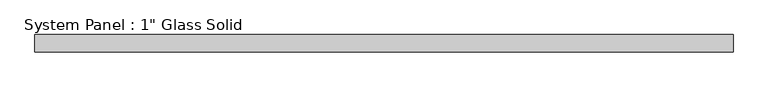
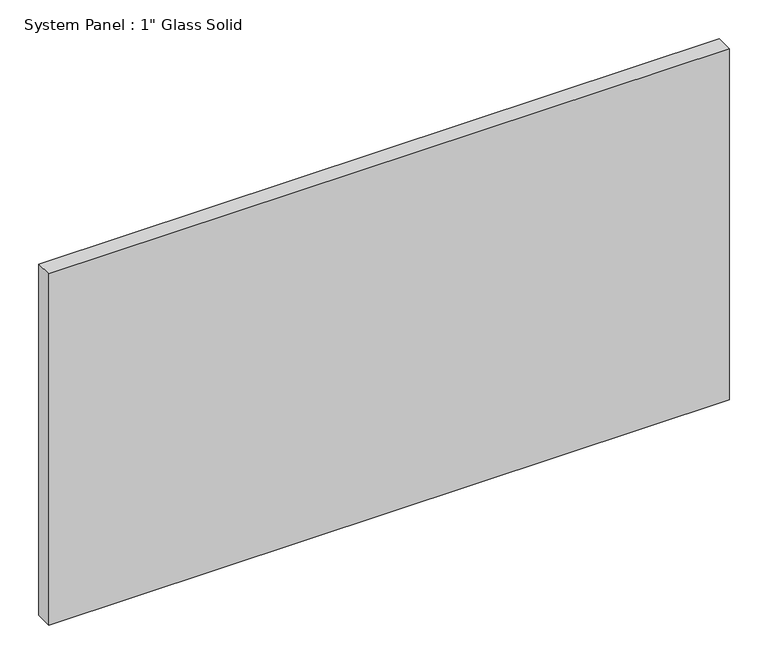
"""IFC4 building model written with IfcOpenShell, lengths in millimetres: plate geometry."""

from ifc_helpers import new_model, si_unit, origin, origin_with_axes, place, context, project, spatial, polyline, outline, extrude, source, transform, mapped, element, save


def plate_3263036e(model_context):
    return source(origin(), model_context, "Body", "SweptSolid", [
        extrude(outline(polyline([(506.4125, -12.7), (-506.4125, -12.7), (-506.4125, 12.7), (506.4125, 12.7), (506.4125, -12.7)])), origin_with_axes(), (0.0, 0.0, 1.0), 552.45),
    ])


if __name__ == "__main__":
    model = new_model("IFC4")
    model_context = context("Model", 3, world=origin())
    ifc_project = project(units=[si_unit("LENGTHUNIT", "METRE", prefix="MILLI")], contexts=[model_context])
    site = spatial("IfcSite", under=ifc_project)
    building = spatial("IfcBuilding", under=site)
    placement = place(None, origin())
    plate_shape = plate_3263036e(model_context)
    element("IfcPlate", 1, ObjectType="System Panel : 1\" Glass Solid", at=placement, inside=building, context=model_context, shape_type="MappedRepresentation", body=[
        mapped(plate_shape, transform((0.0, 0.0, 0.0), x_axis=(1.0, 0.0, 0.0), y_axis=(0.0, 1.0, 0.0), z_axis=(0.0, 0.0, 1.0))),
    ])
    save(model, "model.ifc")
